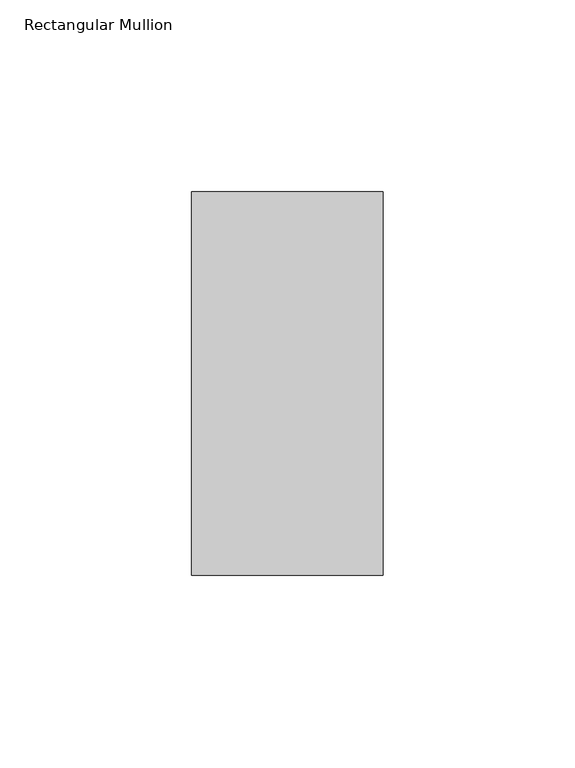
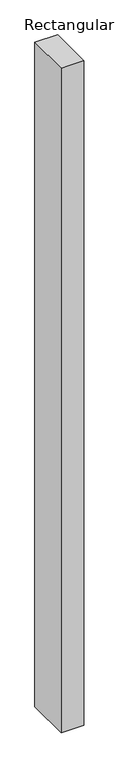
"""IFC4 building model written with IfcOpenShell, lengths in millimetres: member geometry, Rectangular Mullion."""

from ifc_helpers import new_model, si_unit, frame, origin, place, context, project, spatial, polyline, outline, extrude, source, transform, mapped, element, save


def rectangular_mullion_2c9aec13(model_context):
    return source(origin(), model_context, "Body", "SweptSolid", [
        extrude(outline(polyline([(25.0, 69.0), (25.0, -31.0), (-25.0, -31.0), (-25.0, 69.0), (25.0, 69.0)])), frame((0.0, 0.0, -1550.0), z_axis=(0.0, 0.0, 1.0), x_axis=(1.0, 0.0, 0.0)), (0.0, 0.0, 1.0), 1550.0),
    ])


if __name__ == "__main__":
    model = new_model("IFC4")
    model_context = context("Model", 3, world=origin())
    ifc_project = project(units=[si_unit("LENGTHUNIT", "METRE", prefix="MILLI")], contexts=[model_context])
    site = spatial("IfcSite", under=ifc_project)
    building = spatial("IfcBuilding", under=site)
    placement = place(None, origin())
    rectangular_mullion_shape = rectangular_mullion_2c9aec13(model_context)
    element("IfcMember", 1, ObjectType="Rectangular Mullion", at=placement, inside=building, context=model_context, shape_type="MappedRepresentation", body=[
        mapped(rectangular_mullion_shape, transform((0.0, 0.0, 0.0), x_axis=(1.0, 0.0, 0.0), y_axis=(0.0, 1.0, 0.0), z_axis=(0.0, 0.0, 1.0))),
    ])
    save(model, "model.ifc")
